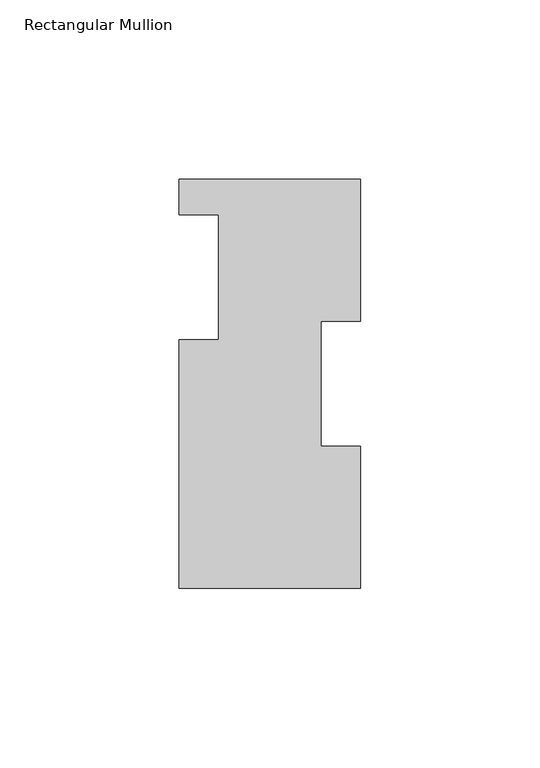
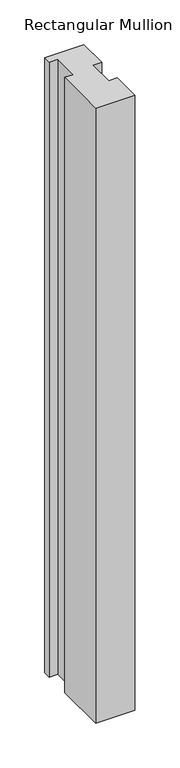
"""IFC4 building model written with IfcOpenShell, lengths in millimetres: member geometry, Rectangular Mullion."""

from ifc_helpers import new_model, si_unit, frame, origin, place, context, project, spatial, polyline, outline, extrude, source, transform, mapped, element, save


def rectangular_mullion_bfb00ca4(model_context):
    return source(origin(), model_context, "Body", "SweptSolid", [
        extrude(outline(polyline([(-25.4, 114.0729875), (25.4, 114.0729875), (25.4, 74.3981875), (14.2875, 74.3981875), (14.2875, 39.4477875), (25.4, 39.4477875), (25.4, -0.2270125), (-25.4, -0.2270125), (-25.4, 69.2419875), (-14.2875, 69.2419875), (-14.2875, 104.1669875), (-25.4, 104.1669875), (-25.4, 114.0729875)])), frame((0.0, 0.0, -841.375), z_axis=(0.0, 0.0, 1.0), x_axis=(1.0, 0.0, 0.0)), (0.0, 0.0, 1.0), 841.375),
    ])


if __name__ == "__main__":
    model = new_model("IFC4")
    model_context = context("Model", 3, world=origin())
    ifc_project = project(units=[si_unit("LENGTHUNIT", "METRE", prefix="MILLI")], contexts=[model_context])
    site = spatial("IfcSite", under=ifc_project)
    building = spatial("IfcBuilding", under=site)
    placement = place(None, origin())
    rectangular_mullion_shape = rectangular_mullion_bfb00ca4(model_context)
    element("IfcMember", 1, ObjectType="Rectangular Mullion", at=placement, inside=building, context=model_context, shape_type="MappedRepresentation", body=[
        mapped(rectangular_mullion_shape, transform((0.0, 0.0, 0.0), x_axis=(1.0, 0.0, 0.0), y_axis=(0.0, 1.0, 0.0), z_axis=(0.0, 0.0, 1.0))),
    ])
    save(model, "model.ifc")
